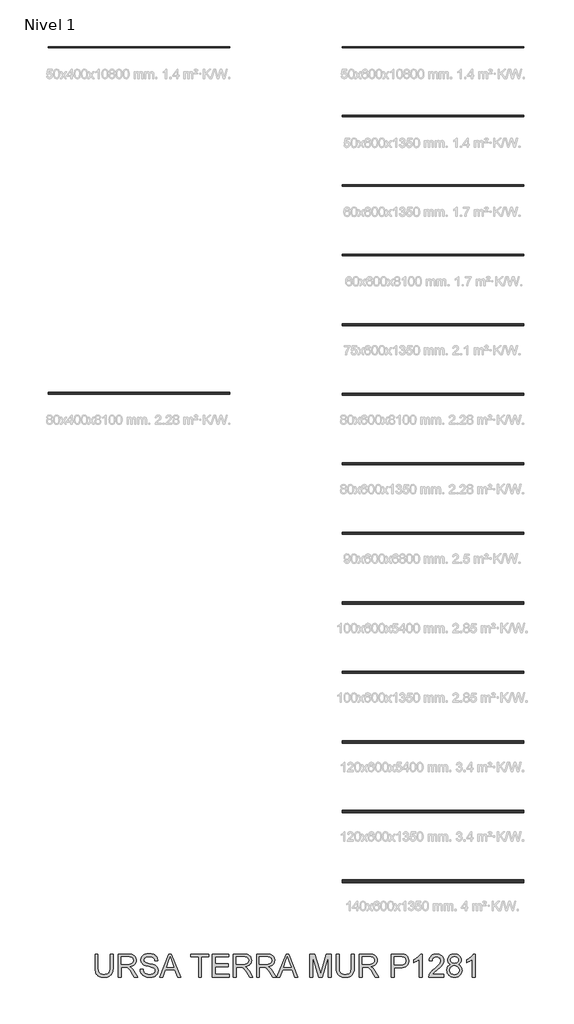
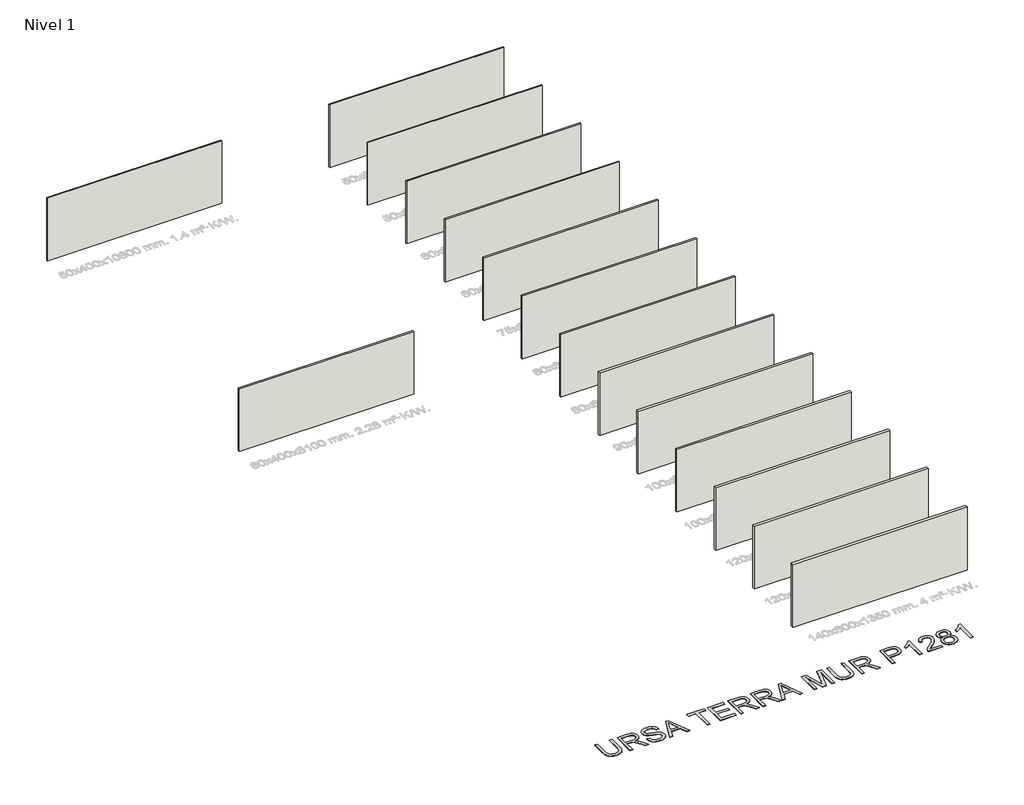
# One storey, part 1 of 16: 15 walls, 1 proxy.
"""IFC4 building model written with IfcOpenShell, lengths in millimetres."""

from ifc_helpers import new_model, si_unit, origin, origin_with_axes, place, context, project, spatial, polyline, outline, extrude, element, save

model = new_model("IFC4")

# Units and contexts
model_context = context("Model", 3, world=origin())
ifc_project = project(units=[si_unit("LENGTHUNIT", "METRE", prefix="MILLI")], contexts=[model_context])

# Site, building, storey
site = spatial("IfcSite", under=ifc_project)
building = spatial("IfcBuilding", under=site)
storey = spatial("IfcBuildingStorey", under=building, Name="Nivel 1", Elevation=0.0)

# Proxy
placement = place(None, origin())
element("IfcBuildingElementProxy", 1, Name="Texto de modelo 2", ObjectType="Texto de modelo 2", at=placement, inside=storey, context=model_context, shape_type="SweptSolid", body=[
    extrude(outline(polyline([(-10338.1015029, -35514.9096485), (-10212.5311152, -35514.9096485), (-10212.5311152, -36094.4464183), (-10214.6617651, -36166.2064), (-10221.0537148, -36230.1642177), (-10231.7069642, -36286.3198714), (-10246.6215135, -36334.6733611), (-10267.0849494, -36377.0564327), (-10294.3848592, -36415.3008317), (-10328.5212426, -36449.4065584), (-10369.4940998, -36479.3736126), (-10417.349416, -36503.7841158), (-10472.1331765, -36521.2201895), (-10533.8453812, -36531.6818338), (-10602.4860301, -36535.1690485), (-10669.432889, -36532.134022), (-10729.9877983, -36523.0289427), (-10784.1507579, -36507.8538104), (-10831.9217678, -36486.6086251), (-10873.3084922, -36459.6076195), (-10908.3185954, -36427.1650261), (-10936.9520774, -36389.2808448), (-10959.2089381, -36345.9550756), (-10975.8939194, -36295.7008623), (-10987.8117632, -36237.0313482), (-10994.9624695, -36169.9465336), (-10997.3460383, -36094.4464183), (-10997.3460383, -35514.9096485), (-10871.7756506, -35514.9096485), (-10871.7756506, -36090.0318343), (-10870.2274805, -36150.7400277), (-10865.5829703, -36202.8796364), (-10857.84212, -36246.4506602), (-10847.0049296, -36281.4530992), (-10832.3969487, -36310.4161421), (-10813.343727, -36335.8689776), (-10789.8452646, -36357.8116058), (-10761.9015614, -36376.2440266), (-10730.0491119, -36390.8366791), (-10694.8244109, -36401.2600023), (-10656.2274583, -36407.5139962), (-10614.258254, -36409.5986608), (-10545.0504536, -36405.4753168), (-10486.541888, -36393.1052847), (-10438.732557, -36372.4885645), (-10418.8401046, -36359.0876965), (-10401.6224608, -36343.6251563), (-10386.7347363, -36325.2310566), (-10373.8320417, -36303.0355095), (-10353.9817424, -36247.2400736), (-10342.0715628, -36176.2388485), (-10338.1015029, -36090.0318343), (-10338.1015029, -35514.9096485)])), origin_with_axes(), (0.0, 0.0, 1.0), 10.0),
    extrude(outline(polyline([(-9992.7829368, -36519.47275), (-9992.7829368, -35514.9096485), (-9559.9084558, -35514.9096485), (-9497.7747196, -35516.6034386), (-9443.5657748, -35521.6848086), (-9397.2816213, -35530.1537587), (-9358.9222591, -35542.0102889), (-9326.2574036, -35558.1664398), (-9297.0567702, -35579.5342524), (-9271.320359, -35606.1137265), (-9249.0481699, -35637.9048623), (-9231.0756016, -35673.1985412), (-9218.2380528, -35710.2856448), (-9210.5355235, -35749.1661732), (-9207.9680137, -35789.8401263), (-9212.2216493, -35841.4355761), (-9224.982556, -35888.800383), (-9246.2507339, -35931.9345469), (-9276.0261828, -35970.8380679), (-9314.6921134, -36004.2693442), (-9362.6317359, -36030.9867741), (-9419.8450503, -36050.9903576), (-9486.3320568, -36064.2800947), (-9444.9453323, -36091.3194213), (-9414.9629497, -36117.990866), (-9363.520784, -36178.9979635), (-9313.1822644, -36247.2400736), (-9145.6733292, -36519.47275), (-9291.599854, -36519.47275), (-9422.3205896, -36311.2515408), (-9474.6211466, -36231.7890298), (-9516.743635, -36173.4184199), (-9551.8457087, -36133.2273119), (-9583.0850215, -36108.3033068), (-9612.6688653, -36093.6799975), (-9642.804532, -36084.3909771), (-9715.6451671, -36079.9763931), (-9867.2125491, -36079.9763931), (-9867.2125491, -36519.47275), (-9992.7829368, -36519.47275)]), holes=[polyline([(-9867.2125491, -35954.4060054), (-9586.1507048, -35954.4060054), (-9505.4312637, -35949.9607647), (-9442.799354, -35936.6250423), (-9417.6147657, -35926.4009886), (-9395.6491449, -35913.5097903), (-9376.9024916, -35897.9514476), (-9361.3748057, -35879.7259604), (-9349.1963788, -35859.7300411), (-9340.4975025, -35838.8604021), (-9335.2781767, -35817.1170434), (-9333.5384014, -35794.4999649), (-9336.8570036, -35762.3869324), (-9346.8128101, -35733.2476127), (-9363.4058209, -35707.0820058), (-9386.6360361, -35683.8901117), (-9417.0399501, -35664.8982037), (-9455.1540577, -35651.3325551), (-9500.9783587, -35643.1931659), (-9554.5128532, -35640.4800362), (-9867.2125491, -35640.4800362), (-9867.2125491, -35954.4060054)])]), origin_with_axes(), (0.0, 0.0, 1.0), 10.0),
    extrude(outline(polyline([(-9035.3087307, -36174.1541839), (-8909.738343, -36174.1541839), (-8903.9901868, -36210.704793), (-8895.3296315, -36243.8371652), (-8883.7566771, -36273.5513005), (-8869.2713235, -36299.8471989), (-8851.1378068, -36323.2536909), (-8828.620363, -36344.2996067), (-8801.7189921, -36362.9849463), (-8770.4336941, -36379.3097099), (-8735.9141003, -36392.5611259), (-8699.3098417, -36402.0264231), (-8660.6209186, -36407.7056014), (-8619.8473308, -36409.5986608), (-8549.888438, -36403.8658331), (-8518.1739444, -36396.6997984), (-8488.6360858, -36386.6673498), (-8462.0029622, -36374.1287051), (-8439.0026733, -36359.4440821), (-8419.6352191, -36342.6134809), (-8403.9005996, -36323.6369013), (-8391.7221727, -36303.3344137), (-8383.0232964, -36282.5260883), (-8377.8039706, -36261.2119252), (-8376.0641953, -36239.3919244), (-8381.2758569, -36197.3614064), (-8396.9108417, -36161.0330594), (-8410.062623, -36144.9152295), (-8428.6713206, -36130.0390013), (-8452.7369345, -36116.4043749), (-8482.2594646, -36104.0113502), (-8548.5701942, -36084.2990066), (-8665.0968162, -36056.0640634), (-8785.1183171, -36024.3342414), (-8828.9192672, -36009.0441459), (-8861.9136836, -35994.1372609), (-8895.4445946, -35974.1336774), (-8924.422966, -35951.8921451), (-8948.8487976, -35927.412664), (-8968.7220895, -35900.6952341), (-8984.1194839, -35872.0157669), (-8995.1176227, -35841.6501739), (-9001.716506, -35809.5984551), (-9003.9161337, -35775.8606105), (-9001.1953398, -35738.4669385), (-8993.0329581, -35702.3148683), (-8979.4289884, -35667.4043998), (-8960.383431, -35633.735533), (-8936.1108835, -35602.6801612), (-8906.8259439, -35575.6101777), (-8872.528612, -35552.5255825), (-8833.218888, -35533.4263756), (-8790.2226798, -35518.458177), (-8744.8658955, -35507.7666065), (-8697.148535, -35501.3516642), (-8647.0705984, -35499.2133501), (-8592.4401221, -35501.4512989), (-8541.1205838, -35508.1651453), (-8493.1119834, -35519.3548893), (-8448.414321, -35535.0205309), (-8407.8553311, -35555.0241144), (-8372.262748, -35579.227684), (-8341.6365719, -35607.6312397), (-8315.9768028, -35640.2347816), (-8295.48271, -35676.0879477), (-8280.3535629, -35714.2403763), (-8270.5893616, -35754.6920673), (-8266.1901061, -35797.4430208), (-8391.7604938, -35797.4430208), (-8400.160466, -35757.3745402), (-8414.8144321, -35722.5177212), (-8435.7223922, -35692.8725637), (-8462.8843462, -35668.4390679), (-8496.8061318, -35649.3398609), (-8537.9935869, -35635.6975703), (-8586.4467113, -35627.5121959), (-8642.1655052, -35624.7837378), (-8699.6623953, -35627.4815391), (-8748.7899701, -35635.574943), (-8789.5482295, -35649.0639494), (-8821.9371735, -35667.9485585), (-8846.615924, -35690.6499433), (-8864.2436029, -35715.5892769), (-8874.8202103, -35742.7665593), (-8878.3457461, -35772.1817905), (-8875.8472142, -35797.4890061), (-8868.3516185, -35820.4356455), (-8855.8589591, -35841.0217088), (-8838.3692359, -35859.247196), (-8810.8393999, -35876.506993), (-8767.4906382, -35893.9507309), (-8708.3229506, -35911.5784098), (-8633.3363373, -35929.3900298), (-8494.8900798, -35963.0512323), (-8446.1763722, -35978.2723499), (-8411.1356122, -35992.4204783), (-8372.6382942, -36013.8649329), (-8339.5519073, -36037.976532), (-8311.8764514, -36064.7552756), (-8289.6119264, -36094.2011636), (-8272.4977495, -36126.1609119), (-8260.2733373, -36160.4812364), (-8252.9386901, -36197.162137), (-8250.4938076, -36236.2036138), (-8253.306572, -36275.4826809), (-8261.7448653, -36313.6121169), (-8275.8086874, -36350.5919216), (-8295.4980384, -36386.4220951), (-8320.4680288, -36419.7154157), (-8350.3737693, -36449.0846616), (-8385.2152599, -36474.529833), (-8424.9925007, -36496.0509297), (-8468.5481961, -36513.1651067), (-8514.7250507, -36525.3895188), (-8563.5230645, -36532.7241661), (-8614.9422375, -36535.1690485), (-8679.1759667, -36532.5325609), (-8737.9681081, -36524.623098), (-8791.3186616, -36511.4406598), (-8839.2276272, -36492.9852464), (-8881.986245, -36469.2262009), (-8919.8857547, -36440.1328664), (-8952.9261564, -36405.705243), (-8981.10745, -36365.9433307), (-9003.8088348, -36322.1347165), (-9020.4095099, -36275.5669872), (-9030.9094751, -36226.240143), (-9035.3087307, -36174.1541839)])), origin_with_axes(), (0.0, 0.0, 1.0), 10.0),
    extrude(outline(polyline([(-8179.1247006, -36519.47275), (-7778.1333258, -35514.9096485), (-7671.2022926, -35514.9096485), (-7270.2109178, -36519.47275), (-7402.8936907, -36519.47275), (-7517.9181279, -36205.5467808), (-7931.6627451, -36205.5467808), (-8046.4419276, -36519.47275), (-8179.1247006, -36519.47275)]), holes=[polyline([(-7885.5548684, -36079.9763931), (-7563.78075, -36079.9763931), (-7654.2797208, -35833.004947), (-7724.6678092, -35640.4800362), (-7787.2077484, -35811.4225367), (-7885.5548684, -36079.9763931)])]), origin_with_axes(), (0.0, 0.0, 1.0), 10.0),
    extrude(outline(polyline([(-6492.50838, -36519.47275), (-6492.50838, -35640.4800362), (-6822.1306477, -35640.4800362), (-6822.1306477, -35514.9096485), (-6037.3157246, -35514.9096485), (-6037.3157246, -35640.4800362), (-6366.9379923, -35640.4800362), (-6366.9379923, -36519.47275), (-6492.50838, -36519.47275)])), origin_with_axes(), (0.0, 0.0, 1.0), 10.0),
    extrude(outline(polyline([(-5896.0490385, -36519.47275), (-5896.0490385, -35514.9096485), (-5174.0193093, -35514.9096485), (-5174.0193093, -35640.4800362), (-5770.4786508, -35640.4800362), (-5770.4786508, -35938.709707), (-5205.4119062, -35938.709707), (-5205.4119062, -36064.2800947), (-5770.4786508, -36064.2800947), (-5770.4786508, -36393.9023624), (-5158.3230108, -36393.9023624), (-5158.3230108, -36519.47275), (-5896.0490385, -36519.47275)])), origin_with_axes(), (0.0, 0.0, 1.0), 10.0),
    extrude(outline(polyline([(-4969.9674293, -36519.47275), (-4969.9674293, -35514.9096485), (-4537.0929483, -35514.9096485), (-4474.9592122, -35516.6034386), (-4420.7502673, -35521.6848086), (-4374.4661138, -35530.1537587), (-4336.1067516, -35542.0102889), (-4303.4418961, -35558.1664398), (-4274.2412628, -35579.5342524), (-4248.5048515, -35606.1137265), (-4226.2326624, -35637.9048623), (-4208.2600941, -35673.1985412), (-4195.4225453, -35710.2856448), (-4187.720016, -35749.1661732), (-4185.1525063, -35789.8401263), (-4189.4061418, -35841.4355761), (-4202.1670485, -35888.800383), (-4223.4352264, -35931.9345469), (-4253.2106754, -35970.8380679), (-4291.8766059, -36004.2693442), (-4339.8162284, -36030.9867741), (-4397.0295429, -36050.9903576), (-4463.5165493, -36064.2800947), (-4422.1298248, -36091.3194213), (-4392.1474422, -36117.990866), (-4340.7052766, -36178.9979635), (-4290.3667569, -36247.2400736), (-4122.8578217, -36519.47275), (-4268.7843465, -36519.47275), (-4399.5050821, -36311.2515408), (-4451.8056391, -36231.7890298), (-4493.9281275, -36173.4184199), (-4529.0302012, -36133.2273119), (-4560.269514, -36108.3033068), (-4589.8533578, -36093.6799975), (-4619.9890246, -36084.3909771), (-4692.8296596, -36079.9763931), (-4844.3970416, -36079.9763931), (-4844.3970416, -36519.47275), (-4969.9674293, -36519.47275)]), holes=[polyline([(-4844.3970416, -35954.4060054), (-4563.3351973, -35954.4060054), (-4482.6157562, -35949.9607647), (-4419.9838465, -35936.6250423), (-4394.7992583, -35926.4009886), (-4372.8336375, -35913.5097903), (-4354.0869841, -35897.9514476), (-4338.5592982, -35879.7259604), (-4326.3808714, -35859.7300411), (-4317.681995, -35838.8604021), (-4312.4626692, -35817.1170434), (-4310.7228939, -35794.4999649), (-4314.0414961, -35762.3869324), (-4323.9973026, -35733.2476127), (-4340.5903134, -35707.0820058), (-4363.8205286, -35683.8901117), (-4394.2244426, -35664.8982037), (-4432.3385502, -35651.3325551), (-4478.1628512, -35643.1931659), (-4531.6973457, -35640.4800362), (-4844.3970416, -35640.4800362), (-4844.3970416, -35954.4060054)])]), origin_with_axes(), (0.0, 0.0, 1.0), 10.0),
    extrude(outline(polyline([(-3965.4043278, -36519.47275), (-3965.4043278, -35514.9096485), (-3532.5298468, -35514.9096485), (-3470.3961107, -35516.6034386), (-3416.1871658, -35521.6848086), (-3369.9030123, -35530.1537587), (-3331.5436501, -35542.0102889), (-3298.8787946, -35558.1664398), (-3269.6781613, -35579.5342524), (-3243.94175, -35606.1137265), (-3221.6695609, -35637.9048623), (-3203.6969926, -35673.1985412), (-3190.8594438, -35710.2856448), (-3183.1569145, -35749.1661732), (-3180.5894048, -35789.8401263), (-3184.8430403, -35841.4355761), (-3197.603947, -35888.800383), (-3218.8721249, -35931.9345469), (-3248.6475739, -35970.8380679), (-3287.3135044, -36004.2693442), (-3335.2531269, -36030.9867741), (-3392.4664414, -36050.9903576), (-3458.9534478, -36064.2800947), (-3417.5667233, -36091.3194213), (-3387.5843407, -36117.990866), (-3336.1421751, -36178.9979635), (-3285.8036554, -36247.2400736), (-3118.2947202, -36519.47275), (-3264.221245, -36519.47275), (-3394.9419806, -36311.2515408), (-3447.2425376, -36231.7890298), (-3489.365026, -36173.4184199), (-3524.4670998, -36133.2273119), (-3555.7064125, -36108.3033068), (-3585.2902563, -36093.6799975), (-3615.4259231, -36084.3909771), (-3688.2665581, -36079.9763931), (-3839.8339401, -36079.9763931), (-3839.8339401, -36519.47275), (-3965.4043278, -36519.47275)]), holes=[polyline([(-3839.8339401, -35954.4060054), (-3558.7720958, -35954.4060054), (-3478.0526547, -35949.9607647), (-3415.420745, -35936.6250423), (-3390.2361568, -35926.4009886), (-3368.270536, -35913.5097903), (-3349.5238826, -35897.9514476), (-3333.9961968, -35879.7259604), (-3321.8177699, -35859.7300411), (-3313.1188935, -35838.8604021), (-3307.8995677, -35817.1170434), (-3306.1597924, -35794.4999649), (-3309.4783946, -35762.3869324), (-3319.4342011, -35733.2476127), (-3336.0272119, -35707.0820058), (-3359.2574271, -35683.8901117), (-3389.6613411, -35664.8982037), (-3427.7754487, -35651.3325551), (-3473.5997497, -35643.1931659), (-3527.1342442, -35640.4800362), (-3839.8339401, -35640.4800362), (-3839.8339401, -35954.4060054)])]), origin_with_axes(), (0.0, 0.0, 1.0), 10.0),
    extrude(outline(polyline([(-3077.8277008, -36519.47275), (-2676.836326, -35514.9096485), (-2569.9052928, -35514.9096485), (-2168.913918, -36519.47275), (-2301.596691, -36519.47275), (-2416.6211281, -36205.5467808), (-2830.3657454, -36205.5467808), (-2945.1449278, -36519.47275), (-3077.8277008, -36519.47275)]), holes=[polyline([(-2784.2578686, -36079.9763931), (-2462.4837502, -36079.9763931), (-2552.982721, -35833.004947), (-2623.3708094, -35640.4800362), (-2685.9107486, -35811.4225367), (-2784.2578686, -36079.9763931)])]), origin_with_axes(), (0.0, 0.0, 1.0), 10.0),
    extrude(outline(polyline([(-1642.3521556, -36519.47275), (-1642.3521556, -35514.9096485), (-1426.2827971, -35514.9096485), (-1220.7593891, -36222.9598619), (-1179.311351, -36370.848424), (-1134.4297476, -36210.6971288), (-932.3399049, -35514.9096485), (-716.2705464, -35514.9096485), (-716.2705464, -36519.47275), (-841.8409341, -36519.47275), (-841.8409341, -35640.4800362), (-1094.2079828, -36519.47275), (-1264.4147192, -36519.47275), (-1516.7817679, -35640.4800362), (-1516.7817679, -36519.47275), (-1642.3521556, -36519.47275)])), origin_with_axes(), (0.0, 0.0, 1.0), 10.0),
    extrude(outline(polyline([(162.7221674, -35514.9096485), (288.2925551, -35514.9096485), (288.2925551, -36094.4464183), (286.1619052, -36166.2064), (279.7699555, -36230.1642177), (269.1167061, -36286.3198714), (254.2021569, -36334.6733611), (233.7387209, -36377.0564327), (206.4388112, -36415.3008317), (172.3024277, -36449.4065584), (131.3295705, -36479.3736126), (83.4742543, -36503.7841158), (28.6904938, -36521.2201895), (-33.0217109, -36531.6818338), (-101.6623598, -36535.1690485), (-168.6092187, -36532.134022), (-229.164128, -36523.0289427), (-283.3270875, -36507.8538104), (-331.0980975, -36486.6086251), (-372.4848219, -36459.6076195), (-407.4949251, -36427.1650261), (-436.1284071, -36389.2808448), (-458.3852678, -36345.9550756), (-475.0702491, -36295.7008623), (-486.9880929, -36237.0313482), (-494.1387992, -36169.9465336), (-496.522368, -36094.4464183), (-496.522368, -35514.9096485), (-370.9519803, -35514.9096485), (-370.9519803, -36090.0318343), (-369.4038102, -36150.7400277), (-364.7593, -36202.8796364), (-357.0184497, -36246.4506602), (-346.1812593, -36281.4530992), (-331.5732784, -36310.4161421), (-312.5200567, -36335.8689776), (-289.0215943, -36357.8116058), (-261.077891, -36376.2440266), (-229.2254416, -36390.8366791), (-194.0007406, -36401.2600023), (-155.4037879, -36407.5139962), (-113.4345836, -36409.5986608), (-44.2267833, -36405.4753168), (14.2817824, -36393.1052847), (62.0911133, -36372.4885645), (81.9835658, -36359.0876965), (99.2012096, -36343.6251563), (114.0889341, -36325.2310566), (126.9916286, -36303.0355095), (146.8419279, -36247.2400736), (158.7521075, -36176.2388485), (162.7221674, -36090.0318343), (162.7221674, -35514.9096485)])), origin_with_axes(), (0.0, 0.0, 1.0), 10.0),
    extrude(outline(polyline([(508.0407335, -36519.47275), (508.0407335, -35514.9096485), (940.9152145, -35514.9096485), (1003.0489507, -35516.6034386), (1057.2578955, -35521.6848086), (1103.542049, -35530.1537587), (1141.9014112, -35542.0102889), (1174.5662667, -35558.1664398), (1203.7669001, -35579.5342524), (1229.5033113, -35606.1137265), (1251.7755005, -35637.9048623), (1269.7480688, -35673.1985412), (1282.5856176, -35710.2856448), (1290.2881468, -35749.1661732), (1292.8556566, -35789.8401263), (1288.602021, -35841.4355761), (1275.8411143, -35888.800383), (1254.5729365, -35931.9345469), (1224.7974875, -35970.8380679), (1186.1315569, -36004.2693442), (1138.1919344, -36030.9867741), (1080.97862, -36050.9903576), (1014.4916136, -36064.2800947), (1055.878338, -36091.3194213), (1085.8607206, -36117.990866), (1137.3028863, -36178.9979635), (1187.641406, -36247.2400736), (1355.1503411, -36519.47275), (1209.2238164, -36519.47275), (1078.5030807, -36311.2515408), (1026.2025238, -36231.7890298), (984.0800353, -36173.4184199), (948.9779616, -36133.2273119), (917.7386488, -36108.3033068), (888.1548051, -36093.6799975), (858.0191383, -36084.3909771), (785.1785032, -36079.9763931), (633.6111212, -36079.9763931), (633.6111212, -36519.47275), (508.0407335, -36519.47275)]), holes=[polyline([(633.6111212, -35954.4060054), (914.6729655, -35954.4060054), (995.3924067, -35949.9607647), (1058.0243163, -35936.6250423), (1083.2089046, -35926.4009886), (1105.1745254, -35913.5097903), (1123.9211787, -35897.9514476), (1139.4488646, -35879.7259604), (1151.6272915, -35859.7300411), (1160.3261678, -35838.8604021), (1165.5454936, -35817.1170434), (1167.2852689, -35794.4999649), (1163.9666667, -35762.3869324), (1154.0108602, -35733.2476127), (1137.4178494, -35707.0820058), (1114.1876343, -35683.8901117), (1083.7837202, -35664.8982037), (1045.6696127, -35651.3325551), (999.8453116, -35643.1931659), (946.3108171, -35640.4800362), (633.6111212, -35640.4800362), (633.6111212, -35954.4060054)])]), origin_with_axes(), (0.0, 0.0, 1.0), 10.0),
    extrude(outline(polyline([(1905.0112966, -36519.47275), (1905.0112966, -35514.9096485), (2277.3078757, -35514.9096485), (2364.0053992, -35517.3008815), (2427.4037297, -35524.4745804), (2462.344855, -35532.0084971), (2494.327596, -35542.347514), (2523.3519526, -35555.4916311), (2549.4179248, -35571.4408485), (2572.8014241, -35590.524727), (2593.778362, -35613.0728276), (2612.3487386, -35639.0851503), (2628.5125537, -35668.5616952), (2641.6030214, -35700.5291077), (2650.9533554, -35734.0140335), (2656.5635559, -35769.0164725), (2658.4336227, -35805.5364247), (2653.3829095, -35867.2026442), (2638.2307698, -35923.9331135), (2612.9772037, -35975.7278327), (2577.6222111, -36022.5868019), (2555.3864269, -36043.3951272), (2529.0847803, -36061.4290092), (2498.7172713, -36076.6884478), (2464.2838997, -36089.173443), (2425.7846657, -36098.8839948), (2383.2195693, -36105.8201033), (2285.8917889, -36111.3689901), (2030.5816842, -36111.3689901), (2030.5816842, -36519.47275), (1905.0112966, -36519.47275)]), holes=[polyline([(2030.5816842, -35985.7986024), (2293.2494288, -35985.7986024), (2353.6433897, -35982.9168601), (2404.595046, -35974.2716332), (2446.1043978, -35959.8629217), (2478.171445, -35939.6907256), (2502.0991032, -35914.2915396), (2519.1902875, -35884.201858), (2529.4449981, -35849.4216811), (2532.863235, -35809.9510087), (2530.8475482, -35780.6430764), (2524.8004879, -35753.5424361), (2514.7220541, -35728.6490877), (2500.6122468, -35705.9630314), (2483.2221583, -35686.220031), (2463.3028811, -35670.1558505), (2440.8544152, -35657.77049), (2415.8767605, -35649.0639494), (2367.4389645, -35642.6260145), (2290.3063728, -35640.4800362), (2030.5816842, -35640.4800362), (2030.5816842, -35985.7986024)])]), origin_with_axes(), (0.0, 0.0, 1.0), 10.0),
    extrude(outline(polyline([(3254.8929642, -36519.47275), (3129.3225765, -36519.47275), (3129.3225765, -35736.6198643), (3076.8993922, -35779.0182642), (3010.3740647, -35821.3553505), (2940.5377993, -35858.3581479), (2878.1818011, -35884.753681), (2878.1818011, -35766.0504239), (2929.1411217, -35740.4979537), (2976.8048327, -35712.4009663), (3021.1729341, -35681.7594618), (3062.2454261, -35648.5734401), (3098.7960351, -35614.375743), (3129.598488, -35580.699212), (3154.6527847, -35547.5438472), (3173.9589253, -35514.9096485), (3254.8929642, -35514.9096485), (3254.8929642, -36519.47275)])), origin_with_axes(), (0.0, 0.0, 1.0), 10.0),
    extrude(outline(polyline([(4196.6708719, -36393.9023624), (4196.6708719, -36519.47275), (3537.4263365, -36519.47275), (3540.1854515, -36475.265597), (3550.915343, -36432.8978538), (3564.6036189, -36398.8151198), (3581.8787442, -36365.2382236), (3602.7407191, -36332.167165), (3627.1895433, -36299.6019443), (3656.696745, -36266.2703026), (3692.7338521, -36230.8999817), (3784.3977826, -36154.0433015), (3919.9009841, -36033.6845754), (3967.3271047, -35985.3234215), (4001.2029051, -35944.8410736), (4024.9159654, -35908.5433834), (4041.8538655, -35872.7362025), (4052.0166057, -35837.419531), (4055.4041857, -35802.5933688), (4052.2082109, -35769.8288786), (4042.6202864, -35739.7162044), (4026.6404122, -35712.2553463), (4004.2685884, -35687.4463043), (3976.7464166, -35666.898562), (3945.3154986, -35652.2216032), (3909.9758345, -35643.415428), (3870.7274241, -35640.4800362), (3829.3790207, -35643.3464501), (3792.399216, -35651.9456917), (3759.78801, -35666.2777611), (3731.5454026, -35686.3426583), (3708.6983979, -35711.4659329), (3692.2739996, -35740.9731346), (3682.2722079, -35774.8642634), (3678.6930226, -35813.1393193), (3553.122635, -35797.4430208), (3563.9215044, -35732.6191476), (3583.5648701, -35675.9806488), (3612.0527321, -35627.5275243), (3649.3850904, -35587.2597743), (3694.7035536, -35555.6065943), (3747.1497306, -35532.99718), (3806.7236212, -35519.4315314), (3873.4252254, -35514.9096485), (3940.7246379, -35519.9373691), (4000.6204253, -35535.0205309), (4053.1125874, -35560.1591339), (4098.2011245, -35595.3531782), (4134.4145084, -35637.9968328), (4160.2812112, -35685.484267), (4175.8012328, -35737.8154808), (4180.9745734, -35794.9904742), (4175.3950298, -35855.0472099), (4158.656399, -35914.0616133), (4128.9499279, -35974.0876922), (4084.4668633, -36037.1794544), (4053.7717093, -36072.1665649), (4013.5576088, -36112.5032929), (3904.5725677, -36209.2256008), (3760.1175709, -36330.0135225), (3728.7862877, -36361.8659719), (3703.4637437, -36393.9023624), (4196.6708719, -36393.9023624)])), origin_with_axes(), (0.0, 0.0, 1.0), 10.0),
    extrude(outline(polyline([(4505.2012385, -35966.1782293), (4469.0798251, -35951.0950675), (4437.9708039, -35933.0688497), (4411.8741748, -35912.099576), (4390.789938, -35888.1872463), (4374.5341523, -35861.5617869), (4362.9228768, -35832.453124), (4355.9561116, -35800.8612577), (4353.6338565, -35766.7861879), (4358.6922339, -35715.5739485), (4373.8673662, -35668.6230089), (4399.1592534, -35625.933369), (4434.5678954, -35587.5050289), (4478.3918381, -35555.74455), (4528.9296272, -35533.0584936), (4586.1812627, -35519.4468598), (4650.1467446, -35514.9096485), (4714.4187948, -35519.5541587), (4772.099626, -35533.4876893), (4823.1892381, -35556.7102402), (4867.6876311, -35589.2218116), (4903.7400666, -35628.4012441), (4929.4918062, -35671.6273785), (4944.94285, -35718.9002149), (4950.093198, -35770.2197532), (4947.8015997, -35803.0915423), (4940.9268049, -35833.7713679), (4929.4688136, -35862.2592299), (4913.4276258, -35888.5551283), (4892.7265993, -35912.3065096), (4867.2890922, -35933.1608202), (4837.1151044, -35951.1180601), (4802.2046359, -35966.1782293), (4843.4763972, -35983.7369304), (4879.4905117, -36006.0014553), (4910.2469794, -36032.971804), (4935.7458002, -36064.6479767), (4955.7570479, -36100.324866), (4970.0507962, -36139.2973649), (4978.6270452, -36181.5654733), (4981.4857949, -36227.1291912), (4975.8142808, -36289.7611009), (4958.7997385, -36347.181349), (4930.4421681, -36399.3899354), (4890.7415694, -36446.3868603), (4867.1588007, -36467.1951857), (4841.7826072, -36485.2290677), (4814.612989, -36500.4885062), (4785.6499461, -36512.9735015), (4722.3435861, -36529.6201617), (4651.8635272, -36535.1690485), (4581.3834683, -36529.5971691), (4518.0771083, -36512.881531), (4489.1140654, -36500.3448023), (4461.9444472, -36485.022134), (4436.5682537, -36466.913526), (4412.985485, -36446.0189783), (4373.2848864, -36398.6924925), (4344.9273159, -36345.8631051), (4327.9127736, -36287.5308163), (4322.2412595, -36223.6956259), (4325.2149723, -36176.0549075), (4334.1361107, -36132.4608911), (4349.0046747, -36092.9135766), (4369.8206642, -36057.4129641), (4396.1242269, -36026.602847), (4427.4555102, -36001.1270188), (4463.814514, -35980.9854796), (4505.2012385, -35966.1782293)]), holes=[polyline([(4479.2042441, -35770.4650079), (4481.9863517, -35799.251774), (4490.3326745, -35825.2794251), (4504.2432124, -35848.5479613), (4523.7179656, -35869.0573826), (4548.5116792, -35885.7960133), (4578.3790987, -35897.7521782), (4613.320224, -35904.9258771), (4653.3350552, -35907.3171101), (4692.3612035, -35904.9412055), (4726.5435722, -35897.8134919), (4755.8821614, -35885.9339691), (4780.3769709, -35869.3026372), (4799.6907756, -35849.2224117), (4813.4863504, -35826.9962078), (4821.7636953, -35802.6240256), (4824.5228103, -35776.1058651), (4821.6717248, -35748.5530365), (4813.1184684, -35723.284142), (4798.8630411, -35700.2991815), (4778.9054429, -35679.598155), (4753.8588104, -35662.4839781), (4724.3362803, -35650.2595659), (4690.3378525, -35642.9249187), (4651.8635272, -35640.4800362), (4613.0902978, -35642.8712692), (4578.9309217, -35650.0449681), (4549.3853989, -35662.0011329), (4524.4537296, -35678.7397637), (4504.6570797, -35698.8199893), (4490.5166155, -35720.8009385), (4482.032337, -35744.6826114), (4479.2042441, -35770.4650079)]), polyline([(4447.8116472, -36219.281042), (4453.0539657, -36267.3202992), (4468.7809209, -36313.8267147), (4481.2812446, -36335.4014609), (4497.8129417, -36354.3857047), (4518.3760124, -36370.7794461), (4542.9704566, -36384.5826851), (4597.0491099, -36403.3446669), (4652.8445459, -36409.5986608), (4698.2473154, -36406.3107155), (4738.3157961, -36396.4468795), (4773.0499878, -36380.0071528), (4802.4498906, -36356.9915355), (4825.8410541, -36328.9022123), (4842.549028, -36297.2413681), (4852.5738124, -36262.0090029), (4855.9154072, -36223.2051166), (4852.4665135, -36183.7804294), (4842.1198324, -36147.9119349), (4824.8753639, -36115.599633), (4800.7331079, -36086.8435237), (4770.5361275, -36063.2377624), (4735.1274855, -36046.3765042), (4694.5071818, -36036.2597494), (4648.6752166, -36032.8874978), (4603.9392331, -36036.2137641), (4564.3995829, -36046.1925632), (4530.0562658, -36062.8238951), (4500.9092819, -36086.1077597), (4477.6790667, -36114.3886881), (4461.0860559, -36146.0112113), (4451.1302494, -36180.9753292), (4447.8116472, -36219.281042)])]), origin_with_axes(), (0.0, 0.0, 1.0), 10.0),
    extrude(outline(polyline([(5562.2488379, -36519.47275), (5436.6784503, -36519.47275), (5436.6784503, -35736.6198643), (5384.2552659, -35779.0182642), (5317.7299385, -35821.3553505), (5247.8936731, -35858.3581479), (5185.5376749, -35884.753681), (5185.5376749, -35766.0504239), (5236.4969954, -35740.4979537), (5284.1607064, -35712.4009663), (5328.5288079, -35681.7594618), (5369.6012998, -35648.5734401), (5406.1519089, -35614.375743), (5436.9543618, -35580.699212), (5462.0086585, -35547.5438472), (5481.314799, -35514.9096485), (5562.2488379, -35514.9096485), (5562.2488379, -36519.47275)])), origin_with_axes(), (0.0, 0.0, 1.0), 10.0),
])

# Walls
element("IfcWall", 2, at=placement, inside=storey, context=model_context, shape_type="SweptSolid", body=[
    extrude(outline(polyline([(7668.7582768, 950.3831431), (-231.2417232, 950.3831431), (-231.2417232, 1000.3831431), (7668.7582768, 1000.3831431), (7668.7582768, 950.3831431)])), origin_with_axes(), (0.0, 0.0, 1.0), 3000.0),
])
element("IfcWall", 3, at=placement, inside=storey, context=model_context, shape_type="SweptSolid", body=[
    extrude(outline(polyline([(-5131.2417232, 3950.3831431), (-13031.2417232, 3950.3831431), (-13031.2417232, 4000.3831431), (-5131.2417232, 4000.3831431), (-5131.2417232, 3950.3831431)])), origin_with_axes(), (0.0, 0.0, 1.0), 3000.0),
])
element("IfcWall", 4, at=placement, inside=storey, context=model_context, shape_type="SweptSolid", body=[
    extrude(outline(polyline([(7668.7582768, -2084.6168569), (-231.2417232, -2084.6168569), (-231.2417232, -2024.6168569), (7668.7582768, -2024.6168569), (7668.7582768, -2084.6168569)])), origin_with_axes(), (0.0, 0.0, 1.0), 3000.0),
])
element("IfcWall", 5, at=placement, inside=storey, context=model_context, shape_type="SweptSolid", body=[
    extrude(outline(polyline([(7668.7582768, -5109.6168569), (-231.2417232, -5109.6168569), (-231.2417232, -5049.6168569), (7668.7582768, -5049.6168569), (7668.7582768, -5109.6168569)])), origin_with_axes(), (0.0, 0.0, 1.0), 3000.0),
])
element("IfcWall", 6, at=placement, inside=storey, context=model_context, shape_type="SweptSolid", body=[
    extrude(outline(polyline([(7668.7582768, -8149.6168569), (-231.2417232, -8149.6168569), (-231.2417232, -8074.6168569), (7668.7582768, -8074.6168569), (7668.7582768, -8149.6168569)])), origin_with_axes(), (0.0, 0.0, 1.0), 3000.0),
])
element("IfcWall", 7, at=placement, inside=storey, context=model_context, shape_type="SweptSolid", body=[
    extrude(outline(polyline([(7668.7582768, -11179.6168569), (-231.2417232, -11179.6168569), (-231.2417232, -11099.6168569), (7668.7582768, -11099.6168569), (7668.7582768, -11179.6168569)])), origin_with_axes(), (0.0, 0.0, 1.0), 3000.0),
])
element("IfcWall", 8, at=placement, inside=storey, context=model_context, shape_type="SweptSolid", body=[
    extrude(outline(polyline([(7668.7582768, -14204.6168569), (-231.2417232, -14204.6168569), (-231.2417232, -14124.6168569), (7668.7582768, -14124.6168569), (7668.7582768, -14204.6168569)])), origin_with_axes(), (0.0, 0.0, 1.0), 3000.0),
])
element("IfcWall", 9, at=placement, inside=storey, context=model_context, shape_type="SweptSolid", body=[
    extrude(outline(polyline([(7668.7582768, -17239.6168569), (-231.2417232, -17239.6168569), (-231.2417232, -17149.6168569), (7668.7582768, -17149.6168569), (7668.7582768, -17239.6168569)])), origin_with_axes(), (0.0, 0.0, 1.0), 3000.0),
])
element("IfcWall", 10, at=placement, inside=storey, context=model_context, shape_type="SweptSolid", body=[
    extrude(outline(polyline([(7668.7582768, -20274.6168569), (-231.2417232, -20274.6168569), (-231.2417232, -20174.6168569), (7668.7582768, -20174.6168569), (7668.7582768, -20274.6168569)])), origin_with_axes(), (0.0, 0.0, 1.0), 3000.0),
])
element("IfcWall", 11, at=placement, inside=storey, context=model_context, shape_type="SweptSolid", body=[
    extrude(outline(polyline([(7668.7582768, -23299.6168569), (-231.2417232, -23299.6168569), (-231.2417232, -23199.6168569), (7668.7582768, -23199.6168569), (7668.7582768, -23299.6168569)])), origin_with_axes(), (0.0, 0.0, 1.0), 3000.0),
])
element("IfcWall", 12, at=placement, inside=storey, context=model_context, shape_type="SweptSolid", body=[
    extrude(outline(polyline([(7668.7582768, -26344.6168569), (-231.2417232, -26344.6168569), (-231.2417232, -26224.6168569), (7668.7582768, -26224.6168569), (7668.7582768, -26344.6168569)])), origin_with_axes(), (0.0, 0.0, 1.0), 3000.0),
])
element("IfcWall", 13, at=placement, inside=storey, context=model_context, shape_type="SweptSolid", body=[
    extrude(outline(polyline([(7668.7582768, -29369.6168569), (-231.2417232, -29369.6168569), (-231.2417232, -29249.6168569), (7668.7582768, -29249.6168569), (7668.7582768, -29369.6168569)])), origin_with_axes(), (0.0, 0.0, 1.0), 3000.0),
])
element("IfcWall", 14, at=placement, inside=storey, context=model_context, shape_type="SweptSolid", body=[
    extrude(outline(polyline([(7668.7582768, -32414.6168569), (-231.2417232, -32414.6168569), (-231.2417232, -32274.6168569), (7668.7582768, -32274.6168569), (7668.7582768, -32414.6168569)])), origin_with_axes(), (0.0, 0.0, 1.0), 3000.0),
])
element("IfcWall", 15, at=placement, inside=storey, context=model_context, shape_type="SweptSolid", body=[
    extrude(outline(polyline([(-5131.2417232, -11133.6168569), (-13031.2417232, -11133.6168569), (-13031.2417232, -11053.6168569), (-5131.2417232, -11053.6168569), (-5131.2417232, -11133.6168569)])), origin_with_axes(), (0.0, 0.0, 1.0), 3000.0),
])
element("IfcWall", 16, at=placement, inside=storey, context=model_context, shape_type="SweptSolid", body=[
    extrude(outline(polyline([(7668.7582768, 3950.3831431), (-231.2417232, 3950.3831431), (-231.2417232, 4000.3831431), (7668.7582768, 4000.3831431), (7668.7582768, 3950.3831431)])), origin_with_axes(), (0.0, 0.0, 1.0), 3000.0),
])

save(model, "model.ifc")
